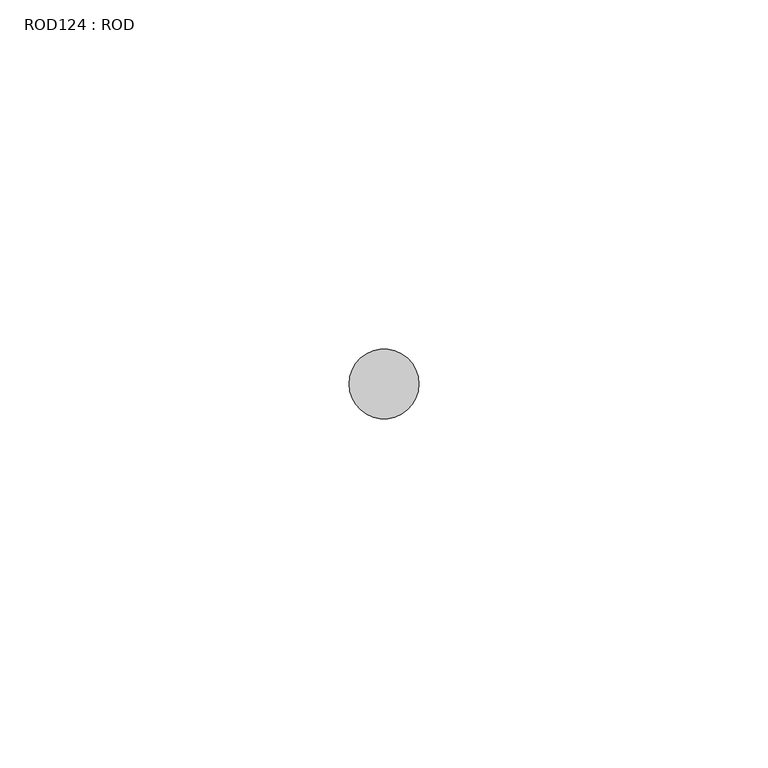
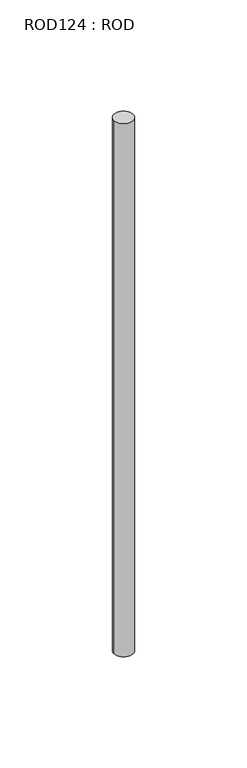
"""IFC4 building model written with IfcOpenShell, lengths in millimetres: proxy geometry, ROD124 : ROD."""

from ifc_helpers import new_model, si_unit, point, frame, frame_2d, origin, place, context, project, spatial, circle_curve, trimmed, segment, composite_curve, outline, extrude, source, transform, mapped, element, save


def rod124_rod_2d730944(model_context):
    return source(origin(), model_context, "Body", "SweptSolid", [
        extrude(outline(composite_curve([segment(trimmed(circle_curve(frame_2d((11352.7784384, -12414.6300853)), 5.0), [point((11347.7784384, -12414.6300853))], [point((11357.7784384, -12414.6300853))], False, "CARTESIAN"), True, "CONTINUOUS"), segment(trimmed(circle_curve(frame_2d((11352.7784384, -12414.6300853)), 5.0), [point((11357.7784384, -12414.6300853))], [point((11347.7784384, -12414.6300853))], False, "CARTESIAN"), True, "CONTINUOUS")], self_intersect=False)), frame((0.0, 0.0, -208.6608845), z_axis=(0.0, 0.0, 1.0), x_axis=(1.0, 0.0, 0.0)), (0.0, 0.0, 1.0), 298.9028972),
    ])


if __name__ == "__main__":
    model = new_model("IFC4")
    model_context = context("Model", 3, world=origin())
    ifc_project = project(units=[si_unit("LENGTHUNIT", "METRE", prefix="MILLI")], contexts=[model_context])
    site = spatial("IfcSite", under=ifc_project)
    building = spatial("IfcBuilding", under=site)
    placement = place(None, origin())
    rod124_rod_shape = rod124_rod_2d730944(model_context)
    element("IfcBuildingElementProxy", 1, Name="ROD124 : ROD", ObjectType="ROD124 : ROD", at=placement, inside=building, context=model_context, shape_type="MappedRepresentation", body=[
        mapped(rod124_rod_shape, transform((0.0, 0.0, 0.0), x_axis=(1.0, 0.0, 0.0), y_axis=(0.0, 1.0, 0.0), z_axis=(0.0, 0.0, 1.0))),
    ])
    save(model, "model.ifc")
